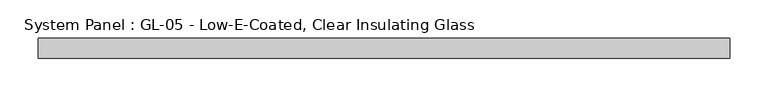
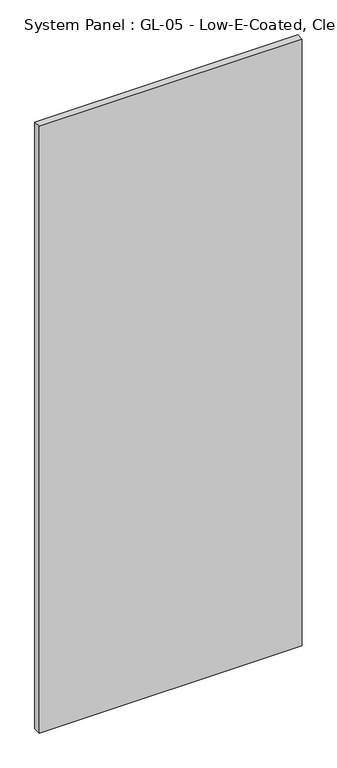
"""IFC4 building model written with IfcOpenShell, lengths in millimetres: plate geometry, System Panel : GL-05 - Low-E-Coated, Clear Insulating Glass."""

from ifc_helpers import new_model, si_unit, origin, origin_with_axes, place, context, project, spatial, polyline, outline, extrude, source, transform, mapped, element, save


def system_panel_gl_05_low_e_coated_clear_insulating_glass_5c1906b8(model_context):
    return source(origin(), model_context, "Body", "SweptSolid", [
        extrude(outline(polyline([(448.7333333, -12.7), (-448.7333333, -12.7), (-448.7333333, 12.7), (448.7333333, 12.7), (448.7333333, -12.7)])), origin_with_axes(), (0.0, 0.0, 1.0), 2186.8423077),
    ])


if __name__ == "__main__":
    model = new_model("IFC4")
    model_context = context("Model", 3, world=origin())
    ifc_project = project(units=[si_unit("LENGTHUNIT", "METRE", prefix="MILLI")], contexts=[model_context])
    site = spatial("IfcSite", under=ifc_project)
    building = spatial("IfcBuilding", under=site)
    placement = place(None, origin())
    system_panel_gl_05_low_e_coated_clear_insulating_glass_shape = system_panel_gl_05_low_e_coated_clear_insulating_glass_5c1906b8(model_context)
    element("IfcPlate", 1, ObjectType="System Panel : GL-05 - Low-E-Coated, Clear Insulating Glass", at=placement, inside=building, context=model_context, shape_type="MappedRepresentation", body=[
        mapped(system_panel_gl_05_low_e_coated_clear_insulating_glass_shape, transform((0.0, 0.0, 0.0), x_axis=(1.0, 0.0, 0.0), y_axis=(0.0, 1.0, 0.0), z_axis=(0.0, 0.0, 1.0))),
    ])
    save(model, "model.ifc")
